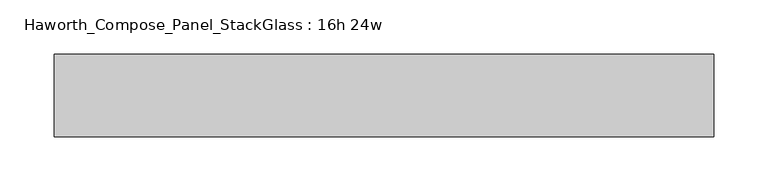
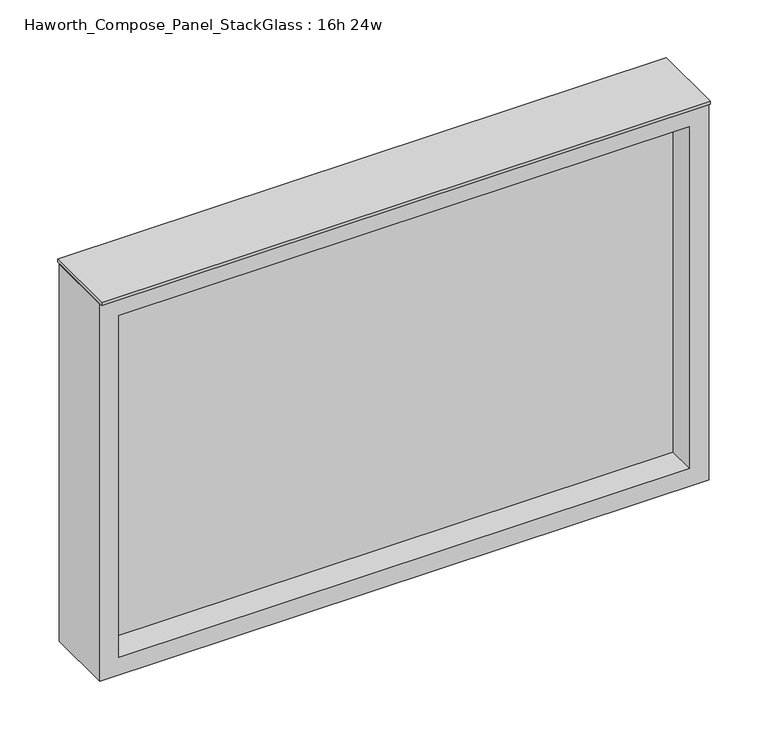
"""IFC4 building model written with IfcOpenShell, lengths in millimetres: furniture geometry, Haworth_Compose_Panel_StackGlass : 16h 24w."""

import ifcopenshell
import ifcopenshell.guid

model = None  # the IFC model being written
_history = None  # IfcOwnerHistory: only IFC2X3 demands one
_inside = {}  # id of a spatial element -> (the spatial element, [elements in it])
_under = {}  # id of a project, library or spatial element -> (it, [spatial elements below it])
_declared = {}  # id of a project -> (the project, [libraries it declares])
_typed = {}  # id of a type object -> (the type object, [elements of that type])
_made_of = {}  # id of a material, layer set ... -> (it, [elements and type objects made of it])


def new_model(schema):
    """Start an empty IFC model of exactly this schema.

    Asked for "IFC4X3", IfcOpenShell would pick the latest addendum, in which some entities
    have other attributes; the version numbers below select the first issue.
    IFC2X3 requires an IfcOwnerHistory on every rooted entity: one is made here for all.
    """
    global model, _history
    if schema == "IFC4X3":
        model = ifcopenshell.file(schema_version=(4, 3, 0, 0))
    else:
        model = ifcopenshell.file(schema=schema)
    _inside.clear()
    _under.clear()
    _declared.clear()
    _typed.clear()
    _made_of.clear()
    _history = None
    if model.schema == "IFC2X3":
        org = make("IfcOrganization", Name="unknown")
        user = make(
            "IfcPersonAndOrganization",
            ThePerson=make("IfcPerson", FamilyName="unknown"),
            TheOrganization=org,
        )
        app = make(
            "IfcApplication",
            ApplicationDeveloper=org,
            Version="unknown",
            ApplicationFullName="unknown",
            ApplicationIdentifier="unknown",
        )
        _history = make(
            "IfcOwnerHistory",
            OwningUser=user,
            OwningApplication=app,
            ChangeAction="ADDED",
            CreationDate=0,
        )
    return model


def make(cls, **values):
    """One entity of the class cls with the attributes given. An attribute that is None is left unset."""
    return model.create_entity(
        cls, **{name: value for name, value in values.items() if value is not None}
    )


def rooted(cls, **values):
    """An entity with a GlobalId (a new one), such as an element, a storey or a relation."""
    return make(cls, GlobalId=ifcopenshell.guid.new(), OwnerHistory=_history, **values)


def si_unit(unit_type, name, prefix=None):
    """IfcSIUnit, for example si_unit("LENGTHUNIT", "METRE", prefix="MILLI")."""
    return make("IfcSIUnit", UnitType=unit_type, Prefix=prefix, Name=name)


def assignment(units):
    """IfcUnitAssignment: the units of a project."""
    return None if units is None else make("IfcUnitAssignment", Units=units)


def point(xyz):
    """IfcCartesianPoint."""
    return None if xyz is None else make("IfcCartesianPoint", Coordinates=xyz)


def direction(xyz):
    """IfcDirection."""
    return None if xyz is None else make("IfcDirection", DirectionRatios=xyz)


def frame(location, z_axis=None, x_axis=None):
    """IfcAxis2Placement3D, a coordinate frame: its origin and axes. An axis left out is left unset."""
    return make(
        "IfcAxis2Placement3D",
        Location=point(location),
        Axis=direction(z_axis),
        RefDirection=direction(x_axis),
    )


def origin():
    """The frame at (0, 0, 0) with its axes left unset."""
    return frame((0.0, 0.0, 0.0))


def place(relative_to, where):
    """IfcLocalPlacement: puts the frame where relative to a parent placement (None: the world)."""
    return make(
        "IfcLocalPlacement", PlacementRelTo=relative_to, RelativePlacement=where
    )


def context(
    kind, dimensions, precision=None, world=None, true_north=None, identifier=None
):
    """IfcGeometricRepresentationContext, for example the 3D "Model" context."""
    return make(
        "IfcGeometricRepresentationContext",
        ContextIdentifier=identifier,
        ContextType=kind,
        CoordinateSpaceDimension=dimensions,
        Precision=precision,
        WorldCoordinateSystem=world,
        TrueNorth=true_north,
    )


def project(units=None, contexts=None):
    """IfcProject with its units and contexts."""
    return rooted(
        "IfcProject",
        Name="project",
        RepresentationContexts=contexts,
        UnitsInContext=assignment(units),
    )


def spatial(cls, under=None, at=None, **own):
    """A site, building, storey or space (cls), placed at a placement, below another one or the project."""
    s = rooted(cls, ObjectPlacement=at, **own)
    if under is not None:
        _under.setdefault(under.id(), (under, []))[1].append(s)
    return s


def polyline(points):
    """IfcPolyline through the points."""
    return make("IfcPolyline", Points=[point(p) for p in points])


def outline(outer, holes=None, kind="AREA"):
    """IfcArbitraryClosedProfileDef: a profile drawn as a closed curve; with holes, ...WithVoids."""
    if holes is None:
        return make("IfcArbitraryClosedProfileDef", ProfileType=kind, OuterCurve=outer)
    return make(
        "IfcArbitraryProfileDefWithVoids",
        ProfileType=kind,
        OuterCurve=outer,
        InnerCurves=holes,
    )


def extrude(swept, where, along, depth):
    """IfcExtrudedAreaSolid: the profile swept, set in the frame where, extruded along a direction by depth."""
    return make(
        "IfcExtrudedAreaSolid",
        SweptArea=swept,
        Position=where,
        ExtrudedDirection=direction(along),
        Depth=depth,
    )


def shape(context_of_items, identifier, shape_type, items):
    """IfcShapeRepresentation: the items that make up one representation, for example the "Body"."""
    return make(
        "IfcShapeRepresentation",
        ContextOfItems=context_of_items,
        RepresentationIdentifier=identifier,
        RepresentationType=shape_type,
        Items=items,
    )


def source(mapping_origin, context_of_items, identifier, shape_type, items):
    """IfcRepresentationMap: a shape defined once, which mapped items show again and again."""
    return make(
        "IfcRepresentationMap",
        MappingOrigin=mapping_origin,
        MappedRepresentation=shape(context_of_items, identifier, shape_type, items),
    )


def transform(
    local_origin,
    x_axis=None,
    y_axis=None,
    z_axis=None,
    scale=None,
    scale2=None,
    scale3=None,
    uniform=True,
):
    """IfcCartesianTransformationOperator3D, or its non-uniform kind. x_axis, y_axis, z_axis: its Axis1, 2, 3."""
    if uniform:
        return make(
            "IfcCartesianTransformationOperator3D",
            Axis1=direction(x_axis),
            Axis2=direction(y_axis),
            LocalOrigin=point(local_origin),
            Scale=scale,
            Axis3=direction(z_axis),
        )
    return make(
        "IfcCartesianTransformationOperator3DnonUniform",
        Axis1=direction(x_axis),
        Axis2=direction(y_axis),
        LocalOrigin=point(local_origin),
        Scale=scale,
        Axis3=direction(z_axis),
        Scale2=scale2,
        Scale3=scale3,
    )


def mapped(mapping_source, mapping_target):
    """IfcMappedItem: shows the shape of a source again, moved by a transform."""
    return make(
        "IfcMappedItem", MappingSource=mapping_source, MappingTarget=mapping_target
    )


def made_of(thing, what):
    """Note that an element or type object is made of a material, layer set ...; save() writes the relation."""
    if what is not None:
        _made_of.setdefault(what.id(), (what, []))[1].append(thing)
    return thing


def element(
    cls,
    number,
    at=None,
    inside=None,
    cuts=None,
    type_object=None,
    material=None,
    context=None,
    identifier="Body",
    shape_type=None,
    held_by="IfcProductDefinitionShape",
    body=None,
    shapes=None,
    **own,
):
    """One element of the class cls, such as IfcWall. Its Tag is "e" and its number.

    at: its placement. inside: the storey or other place that contains it. cuts: it is an
    opening in that element (IfcRelVoidsElement). A single representation is given by context,
    identifier, shape_type and body (its items); several are given by shapes. held_by: the class
    of the entity that holds the representations. save() writes the other relations.
    """
    e = rooted(cls, Tag="e%d" % number, ObjectPlacement=at, **own)
    if body is not None:
        shapes = [shape(context, identifier, shape_type, body)]
    if shapes is not None:
        e.Representation = make(held_by, Representations=shapes)
    if inside is not None:
        _inside.setdefault(inside.id(), (inside, []))[1].append(e)
    if cuts is not None:
        rooted(
            "IfcRelVoidsElement", RelatingBuildingElement=cuts, RelatedOpeningElement=e
        )
    if type_object is not None:
        _typed.setdefault(type_object.id(), (type_object, []))[1].append(e)
    return made_of(e, material)


def aggregate(whole, parts):
    """IfcRelAggregates: a whole, such as a stair, and the parts it consists of."""
    return rooted("IfcRelAggregates", RelatingObject=whole, RelatedObjects=parts)


def save(model, path):
    """Write the relations noted so far, then the file.

    IfcRelAggregates (storeys below a building ...), IfcRelContainedInSpatialStructure (elements
    in a storey), IfcRelDefinesByType, IfcRelAssociatesMaterial and IfcRelDeclares: one each for
    every whole, place, type object, material and project.
    """
    for whole, parts in _under.values():
        aggregate(whole, parts)
    for where, things in _inside.values():
        rooted(
            "IfcRelContainedInSpatialStructure",
            RelatedElements=things,
            RelatingStructure=where,
        )
    for kind, things in _typed.values():
        rooted("IfcRelDefinesByType", RelatedObjects=things, RelatingType=kind)
    for what, things in _made_of.values():
        rooted("IfcRelAssociatesMaterial", RelatedObjects=things, RelatingMaterial=what)
    for by, libraries in _declared.values():
        rooted("IfcRelDeclares", RelatingContext=by, RelatedDefinitions=libraries)
    model.write(path)


def haworth_compose_panel_stackglass_16h_24w_ed610c9e(model_context):
    return source(origin(), model_context, "Body", "SweptSolid", [
        extrude(outline(polyline([(288.1902902, -6.35), (-283.3097098, -6.35), (-283.3097098, 6.35), (288.1902902, 6.35), (288.1902902, -6.35)])), frame((0.0, 0.0, 1085.85), z_axis=(0.0, 0.0, 1.0), x_axis=(1.0, 0.0, 0.0)), (0.0, 0.0, 1.0), 361.95),
        extrude(outline(polyline([(1466.85, -302.3597098), (1066.8, -302.3597098), (1066.8, 307.2402902), (1466.85, 307.2402902), (1466.85, -302.3597098)]), holes=[polyline([(1447.8, 288.1902902), (1085.85, 288.1902902), (1085.85, -283.3097098), (1447.8, -283.3097098), (1447.8, 288.1902902)])]), frame((0.0, -34.925, 0.0), z_axis=(0.0, 1.0, 0.0), x_axis=(0.0, 0.0, 1.0)), (0.0, 0.0, 1.0), 69.85),
        extrude(outline(polyline([(-302.3597098, -38.1), (-302.3597098, 38.1), (307.2402902, 38.1), (307.2402902, -38.1), (-302.3597098, -38.1)])), frame((0.0, 0.0, 1466.85), z_axis=(0.0, 0.0, 1.0), x_axis=(1.0, 0.0, 0.0)), (0.0, 0.0, 1.0), 3.175),
    ])


if __name__ == "__main__":
    model = new_model("IFC4")
    model_context = context("Model", 3, world=origin())
    ifc_project = project(units=[si_unit("LENGTHUNIT", "METRE", prefix="MILLI")], contexts=[model_context])
    site = spatial("IfcSite", under=ifc_project)
    building = spatial("IfcBuilding", under=site)
    placement = place(None, origin())
    haworth_compose_panel_stackglass_16h_24w_shape = haworth_compose_panel_stackglass_16h_24w_ed610c9e(model_context)
    element("IfcFurniture", 1, ObjectType="Haworth_Compose_Panel_StackGlass : 16h 24w", at=placement, inside=building, context=model_context, shape_type="MappedRepresentation", body=[
        mapped(haworth_compose_panel_stackglass_16h_24w_shape, transform((0.0, 0.0, 0.0), x_axis=(1.0, 0.0, 0.0), y_axis=(0.0, 1.0, 0.0), z_axis=(0.0, 0.0, 1.0))),
    ])
    save(model, "model.ifc")
